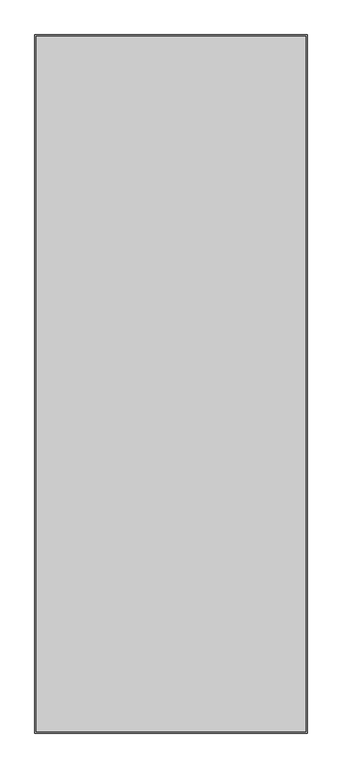
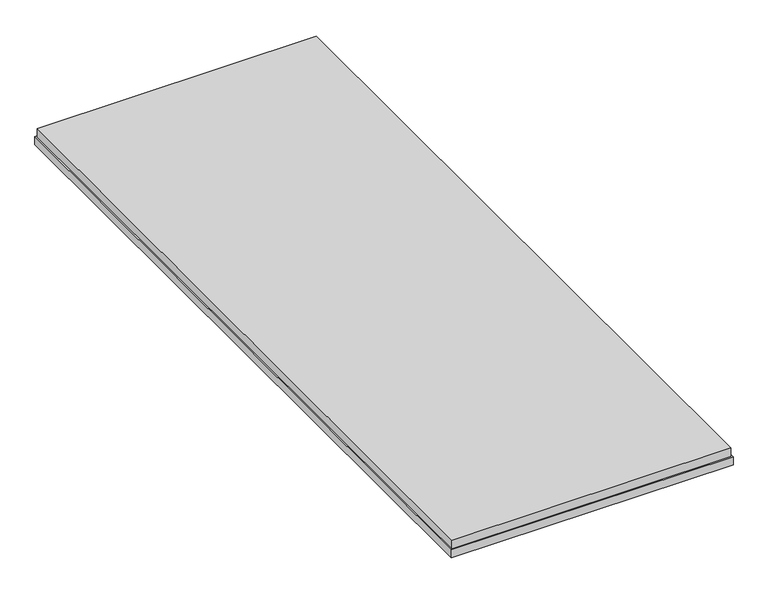
"""IFC4 building model written with IfcOpenShell, lengths in millimetres: proxy geometry."""

import ifcopenshell
import ifcopenshell.guid

model = None  # the IFC model being written
_history = None  # IfcOwnerHistory: only IFC2X3 demands one
_inside = {}  # id of a spatial element -> (the spatial element, [elements in it])
_under = {}  # id of a project, library or spatial element -> (it, [spatial elements below it])
_declared = {}  # id of a project -> (the project, [libraries it declares])
_typed = {}  # id of a type object -> (the type object, [elements of that type])
_made_of = {}  # id of a material, layer set ... -> (it, [elements and type objects made of it])


def new_model(schema):
    """Start an empty IFC model of exactly this schema.

    Asked for "IFC4X3", IfcOpenShell would pick the latest addendum, in which some entities
    have other attributes; the version numbers below select the first issue.
    IFC2X3 requires an IfcOwnerHistory on every rooted entity: one is made here for all.
    """
    global model, _history
    if schema == "IFC4X3":
        model = ifcopenshell.file(schema_version=(4, 3, 0, 0))
    else:
        model = ifcopenshell.file(schema=schema)
    _inside.clear()
    _under.clear()
    _declared.clear()
    _typed.clear()
    _made_of.clear()
    _history = None
    if model.schema == "IFC2X3":
        org = make("IfcOrganization", Name="unknown")
        user = make(
            "IfcPersonAndOrganization",
            ThePerson=make("IfcPerson", FamilyName="unknown"),
            TheOrganization=org,
        )
        app = make(
            "IfcApplication",
            ApplicationDeveloper=org,
            Version="unknown",
            ApplicationFullName="unknown",
            ApplicationIdentifier="unknown",
        )
        _history = make(
            "IfcOwnerHistory",
            OwningUser=user,
            OwningApplication=app,
            ChangeAction="ADDED",
            CreationDate=0,
        )
    return model


def make(cls, **values):
    """One entity of the class cls with the attributes given. An attribute that is None is left unset."""
    return model.create_entity(
        cls, **{name: value for name, value in values.items() if value is not None}
    )


def rooted(cls, **values):
    """An entity with a GlobalId (a new one), such as an element, a storey or a relation."""
    return make(cls, GlobalId=ifcopenshell.guid.new(), OwnerHistory=_history, **values)


def si_unit(unit_type, name, prefix=None):
    """IfcSIUnit, for example si_unit("LENGTHUNIT", "METRE", prefix="MILLI")."""
    return make("IfcSIUnit", UnitType=unit_type, Prefix=prefix, Name=name)


def assignment(units):
    """IfcUnitAssignment: the units of a project."""
    return None if units is None else make("IfcUnitAssignment", Units=units)


def point(xyz):
    """IfcCartesianPoint."""
    return None if xyz is None else make("IfcCartesianPoint", Coordinates=xyz)


def direction(xyz):
    """IfcDirection."""
    return None if xyz is None else make("IfcDirection", DirectionRatios=xyz)


def frame(location, z_axis=None, x_axis=None):
    """IfcAxis2Placement3D, a coordinate frame: its origin and axes. An axis left out is left unset."""
    return make(
        "IfcAxis2Placement3D",
        Location=point(location),
        Axis=direction(z_axis),
        RefDirection=direction(x_axis),
    )


def origin():
    """The frame at (0, 0, 0) with its axes left unset."""
    return frame((0.0, 0.0, 0.0))


def place(relative_to, where):
    """IfcLocalPlacement: puts the frame where relative to a parent placement (None: the world)."""
    return make(
        "IfcLocalPlacement", PlacementRelTo=relative_to, RelativePlacement=where
    )


def context(
    kind, dimensions, precision=None, world=None, true_north=None, identifier=None
):
    """IfcGeometricRepresentationContext, for example the 3D "Model" context."""
    return make(
        "IfcGeometricRepresentationContext",
        ContextIdentifier=identifier,
        ContextType=kind,
        CoordinateSpaceDimension=dimensions,
        Precision=precision,
        WorldCoordinateSystem=world,
        TrueNorth=true_north,
    )


def project(units=None, contexts=None):
    """IfcProject with its units and contexts."""
    return rooted(
        "IfcProject",
        Name="project",
        RepresentationContexts=contexts,
        UnitsInContext=assignment(units),
    )


def spatial(cls, under=None, at=None, **own):
    """A site, building, storey or space (cls), placed at a placement, below another one or the project."""
    s = rooted(cls, ObjectPlacement=at, **own)
    if under is not None:
        _under.setdefault(under.id(), (under, []))[1].append(s)
    return s


def polyline(points):
    """IfcPolyline through the points."""
    return make("IfcPolyline", Points=[point(p) for p in points])


def outline(outer, holes=None, kind="AREA"):
    """IfcArbitraryClosedProfileDef: a profile drawn as a closed curve; with holes, ...WithVoids."""
    if holes is None:
        return make("IfcArbitraryClosedProfileDef", ProfileType=kind, OuterCurve=outer)
    return make(
        "IfcArbitraryProfileDefWithVoids",
        ProfileType=kind,
        OuterCurve=outer,
        InnerCurves=holes,
    )


def extrude(swept, where, along, depth):
    """IfcExtrudedAreaSolid: the profile swept, set in the frame where, extruded along a direction by depth."""
    return make(
        "IfcExtrudedAreaSolid",
        SweptArea=swept,
        Position=where,
        ExtrudedDirection=direction(along),
        Depth=depth,
    )


def shape(context_of_items, identifier, shape_type, items):
    """IfcShapeRepresentation: the items that make up one representation, for example the "Body"."""
    return make(
        "IfcShapeRepresentation",
        ContextOfItems=context_of_items,
        RepresentationIdentifier=identifier,
        RepresentationType=shape_type,
        Items=items,
    )


def source(mapping_origin, context_of_items, identifier, shape_type, items):
    """IfcRepresentationMap: a shape defined once, which mapped items show again and again."""
    return make(
        "IfcRepresentationMap",
        MappingOrigin=mapping_origin,
        MappedRepresentation=shape(context_of_items, identifier, shape_type, items),
    )


def transform(
    local_origin,
    x_axis=None,
    y_axis=None,
    z_axis=None,
    scale=None,
    scale2=None,
    scale3=None,
    uniform=True,
):
    """IfcCartesianTransformationOperator3D, or its non-uniform kind. x_axis, y_axis, z_axis: its Axis1, 2, 3."""
    if uniform:
        return make(
            "IfcCartesianTransformationOperator3D",
            Axis1=direction(x_axis),
            Axis2=direction(y_axis),
            LocalOrigin=point(local_origin),
            Scale=scale,
            Axis3=direction(z_axis),
        )
    return make(
        "IfcCartesianTransformationOperator3DnonUniform",
        Axis1=direction(x_axis),
        Axis2=direction(y_axis),
        LocalOrigin=point(local_origin),
        Scale=scale,
        Axis3=direction(z_axis),
        Scale2=scale2,
        Scale3=scale3,
    )


def mapped(mapping_source, mapping_target):
    """IfcMappedItem: shows the shape of a source again, moved by a transform."""
    return make(
        "IfcMappedItem", MappingSource=mapping_source, MappingTarget=mapping_target
    )


def made_of(thing, what):
    """Note that an element or type object is made of a material, layer set ...; save() writes the relation."""
    if what is not None:
        _made_of.setdefault(what.id(), (what, []))[1].append(thing)
    return thing


def element(
    cls,
    number,
    at=None,
    inside=None,
    cuts=None,
    type_object=None,
    material=None,
    context=None,
    identifier="Body",
    shape_type=None,
    held_by="IfcProductDefinitionShape",
    body=None,
    shapes=None,
    **own,
):
    """One element of the class cls, such as IfcWall. Its Tag is "e" and its number.

    at: its placement. inside: the storey or other place that contains it. cuts: it is an
    opening in that element (IfcRelVoidsElement). A single representation is given by context,
    identifier, shape_type and body (its items); several are given by shapes. held_by: the class
    of the entity that holds the representations. save() writes the other relations.
    """
    e = rooted(cls, Tag="e%d" % number, ObjectPlacement=at, **own)
    if body is not None:
        shapes = [shape(context, identifier, shape_type, body)]
    if shapes is not None:
        e.Representation = make(held_by, Representations=shapes)
    if inside is not None:
        _inside.setdefault(inside.id(), (inside, []))[1].append(e)
    if cuts is not None:
        rooted(
            "IfcRelVoidsElement", RelatingBuildingElement=cuts, RelatedOpeningElement=e
        )
    if type_object is not None:
        _typed.setdefault(type_object.id(), (type_object, []))[1].append(e)
    return made_of(e, material)


def aggregate(whole, parts):
    """IfcRelAggregates: a whole, such as a stair, and the parts it consists of."""
    return rooted("IfcRelAggregates", RelatingObject=whole, RelatedObjects=parts)


def save(model, path):
    """Write the relations noted so far, then the file.

    IfcRelAggregates (storeys below a building ...), IfcRelContainedInSpatialStructure (elements
    in a storey), IfcRelDefinesByType, IfcRelAssociatesMaterial and IfcRelDeclares: one each for
    every whole, place, type object, material and project.
    """
    for whole, parts in _under.values():
        aggregate(whole, parts)
    for where, things in _inside.values():
        rooted(
            "IfcRelContainedInSpatialStructure",
            RelatedElements=things,
            RelatingStructure=where,
        )
    for kind, things in _typed.values():
        rooted("IfcRelDefinesByType", RelatedObjects=things, RelatingType=kind)
    for what, things in _made_of.values():
        rooted("IfcRelAssociatesMaterial", RelatedObjects=things, RelatingMaterial=what)
    for by, libraries in _declared.values():
        rooted("IfcRelDeclares", RelatingContext=by, RelatedDefinitions=libraries)
    model.write(path)


def generic_models_648033f5(model_context):
    return source(origin(), model_context, "Body", "SweptSolid", [
        extrude(outline(polyline([(897.0, -91.0), (897.0, -2238.9), (63.0, -2238.9), (63.0, -91.0), (897.0, -91.0)])), frame((0.0, 0.0, -43.0), z_axis=(0.0, 0.0, 1.0), x_axis=(1.0, 0.0, 0.0)), (0.0, 0.0, 1.0), 27.0),
        extrude(outline(polyline([(59.0, -87.0), (901.0, -87.0), (901.0, -2242.9), (59.0, -2242.9), (59.0, -87.0)]), holes=[polyline([(883.0, -105.0), (77.0, -105.0), (77.0, -2224.9), (883.0, -2224.9), (883.0, -105.0)])]), frame((0.0, 0.0, -68.0), z_axis=(0.0, 0.0, 1.0), x_axis=(1.0, 0.0, 0.0)), (0.0, 0.0, 1.0), 25.0),
    ])


if __name__ == "__main__":
    model = new_model("IFC4")
    model_context = context("Model", 3, world=origin())
    ifc_project = project(units=[si_unit("LENGTHUNIT", "METRE", prefix="MILLI")], contexts=[model_context])
    site = spatial("IfcSite", under=ifc_project)
    building = spatial("IfcBuilding", under=site)
    placement = place(None, origin())
    generic_models_shape = generic_models_648033f5(model_context)
    element("IfcBuildingElementProxy", 1, Name="Generic Models", at=placement, inside=building, context=model_context, shape_type="MappedRepresentation", body=[
        mapped(generic_models_shape, transform((0.0, 0.0, 0.0), x_axis=(1.0, 0.0, 0.0), y_axis=(0.0, 1.0, 0.0), z_axis=(0.0, 0.0, 1.0))),
    ])
    save(model, "model.ifc")
